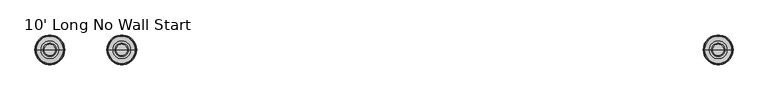
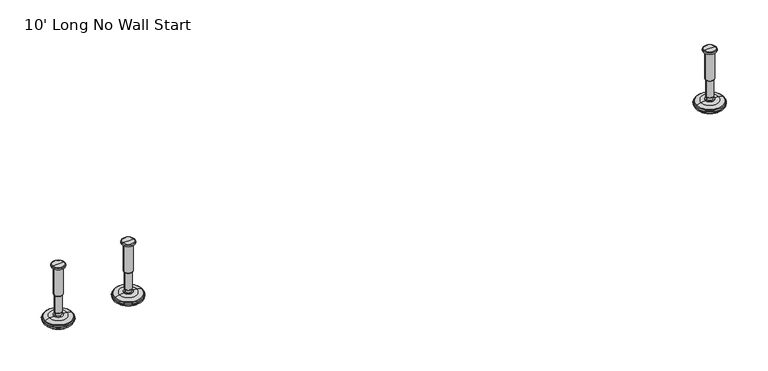
"""IFC4 building model written with IfcOpenShell, lengths in millimetres: furniture geometry, 10' Long No Wall Start."""

from ifc_helpers import new_model, si_unit, frame, origin, place, context, project, spatial, polyline, circle_curve, source, transform, mapped, element, save
from ifc_brep_helpers import plane_surface, cylinder_surface, revolved_surface, advanced_brep


def furniture_10_long_no_wall_start_91a773ea(model_context):
    return source(origin(), model_context, "Body", "AdvancedBrep", [
        advanced_brep(
        [(2038.5364323, 0.0, 101.6), (2047.5143537, 0.0, 101.6), (2029.5585109, 0.0, 101.6), (2052.6406722, 0.0, 0.0206943), (2038.5364323, 0.0, 0.0206943), (2024.4321924, 0.0, 0.0206943), (2057.518704, 0.0, 1.4194474), (2019.5541606, 0.0, 1.4194474), (2061.280619, 0.0, 4.7394056), (2015.7922456, 0.0, 4.7394056), (2062.3980686, 0.0, 7.5051905), (2014.674796, 0.0, 7.5051905), (2062.3980686, 0.0, 8.3065967), (2014.674796, 0.0, 8.3065967), (2061.5556654, 0.0, 9.8469348), (2015.5171992, 0.0, 9.8469348), (2060.4555228, 0.0, 10.8375077), (2016.6173418, 0.0, 10.8375077), (2053.1518276, 0.0, 12.7338946), (2023.921037, 0.0, 12.7338946), (2045.7336762, 0.0, 13.3828987), (2031.3391884, 0.0, 13.3828987), (2045.7336762, 0.0, 14.1772758), (2031.3391884, 0.0, 14.1772758), (2043.3368834, 0.0, 14.1772758), (2033.7359812, 0.0, 14.1772758), (2043.3368834, 0.0, 18.8098403), (2033.7359812, 0.0, 18.8098403), (2044.352736, 0.0, 19.8256929), (2032.7201286, 0.0, 19.8256929), (2044.352736, 0.0, 48.3056352), (2032.7201286, 0.0, 48.3056352), (2045.5762639, 0.0, 49.9293116), (2031.4966007, 0.0, 49.9293116), (2045.5762639, 0.0, 97.327223), (2031.4966007, 0.0, 97.327223), (2046.4573683, 0.0, 97.6479188), (2030.6154963, 0.0, 97.6479188), (2047.5063572, 0.0, 97.6479188), (2029.5665074, 0.0, 97.6479188), (2049.1713871, 0.0, 98.6092242), (2027.9014775, 0.0, 98.6092242), (2049.1713871, 0.0, 100.6043539), (2027.9014775, 0.0, 100.6043539)],
        [
            (0, 1),
            (1, 2, circle_curve(frame((2038.5364323, 0.0, 101.6), z_axis=(0.0, 0.0, 1.0), x_axis=(-1.0, 0.0, 0.0)), 8.9779214)),
            (2, 0),
            (2, 1, circle_curve(frame((2038.5364323, 0.0, 101.6), z_axis=(0.0, 0.0, 1.0), x_axis=(-1.0, 0.0, 0.0)), 8.9779214)),
            (3, 4),
            (4, 5),
            (5, 3, circle_curve(frame((2038.5364323, 0.0, 0.0206943), z_axis=(0.0, 0.0, -1.0), x_axis=(-1.0, 0.0, 0.0)), 14.1042399)),
            (3, 5, circle_curve(frame((2038.5364323, 0.0, 0.0206943), z_axis=(0.0, 0.0, -1.0), x_axis=(-1.0, 0.0, 0.0)), 14.1042399)),
            (6, 3),
            (5, 7),
            (7, 6, circle_curve(frame((2038.5364323, 0.0, 1.4194474), z_axis=(0.0, 0.0, -1.0), x_axis=(-1.0, 0.0, 0.0)), 18.9822717)),
            (6, 7, circle_curve(frame((2038.5364323, 0.0, 1.4194474), z_axis=(0.0, 0.0, -1.0), x_axis=(-1.0, 0.0, 0.0)), 18.9822717)),
            (8, 6),
            (7, 9),
            (9, 8, circle_curve(frame((2038.5364323, 0.0, 4.7394056), z_axis=(0.0, 0.0, -1.0), x_axis=(-1.0, 0.0, 0.0)), 22.7441867)),
            (8, 9, circle_curve(frame((2038.5364323, 0.0, 4.7394056), z_axis=(0.0, 0.0, -1.0), x_axis=(-1.0, 0.0, 0.0)), 22.7441867)),
            (10, 8),
            (9, 11),
            (11, 10, circle_curve(frame((2038.5364323, 0.0, 7.5051905), z_axis=(0.0, 0.0, -1.0), x_axis=(-1.0, 0.0, 0.0)), 23.8616363)),
            (10, 11, circle_curve(frame((2038.5364323, 0.0, 7.5051905), z_axis=(0.0, 0.0, -1.0), x_axis=(-1.0, 0.0, 0.0)), 23.8616363)),
            (12, 10),
            (11, 13),
            (13, 12, circle_curve(frame((2038.5364323, 0.0, 8.3065967), z_axis=(0.0, 0.0, -1.0), x_axis=(-1.0, 0.0, 0.0)), 23.8616363)),
            (12, 13, circle_curve(frame((2038.5364323, 0.0, 8.3065967), z_axis=(0.0, 0.0, -1.0), x_axis=(-1.0, 0.0, 0.0)), 23.8616363)),
            (14, 12),
            (13, 15),
            (15, 14, circle_curve(frame((2038.5364323, 0.0, 9.8469348), z_axis=(0.0, 0.0, -1.0), x_axis=(-1.0, 0.0, 0.0)), 23.0192331)),
            (14, 15, circle_curve(frame((2038.5364323, 0.0, 9.8469348), z_axis=(0.0, 0.0, -1.0), x_axis=(-1.0, 0.0, 0.0)), 23.0192331)),
            (16, 14),
            (15, 17),
            (17, 16, circle_curve(frame((2038.5364323, 0.0, 10.8375077), z_axis=(0.0, 0.0, -1.0), x_axis=(-1.0, 0.0, 0.0)), 21.9190905)),
            (16, 17, circle_curve(frame((2038.5364323, 0.0, 10.8375077), z_axis=(0.0, 0.0, -1.0), x_axis=(-1.0, 0.0, 0.0)), 21.9190905)),
            (18, 16),
            (17, 19),
            (19, 18, circle_curve(frame((2038.5364323, 0.0, 12.7338946), z_axis=(0.0, 0.0, -1.0), x_axis=(-1.0, 0.0, 0.0)), 14.6153953)),
            (18, 19, circle_curve(frame((2038.5364323, 0.0, 12.7338946), z_axis=(0.0, 0.0, -1.0), x_axis=(-1.0, 0.0, 0.0)), 14.6153953)),
            (20, 18),
            (19, 21),
            (21, 20, circle_curve(frame((2038.5364323, 0.0, 13.3828987), z_axis=(0.0, 0.0, -1.0), x_axis=(-1.0, 0.0, 0.0)), 7.1972439)),
            (20, 21, circle_curve(frame((2038.5364323, 0.0, 13.3828987), z_axis=(0.0, 0.0, -1.0), x_axis=(-1.0, 0.0, 0.0)), 7.1972439)),
            (22, 20),
            (21, 23),
            (23, 22, circle_curve(frame((2038.5364323, 0.0, 14.1772758), z_axis=(0.0, 0.0, -1.0), x_axis=(-1.0, 0.0, 0.0)), 7.1972439)),
            (22, 23, circle_curve(frame((2038.5364323, 0.0, 14.1772758), z_axis=(0.0, 0.0, -1.0), x_axis=(-1.0, 0.0, 0.0)), 7.1972439)),
            (24, 22),
            (23, 25),
            (25, 24, circle_curve(frame((2038.5364323, 0.0, 14.1772758), z_axis=(0.0, 0.0, -1.0), x_axis=(-1.0, 0.0, 0.0)), 4.8004511)),
            (24, 25, circle_curve(frame((2038.5364323, 0.0, 14.1772758), z_axis=(0.0, 0.0, -1.0), x_axis=(-1.0, 0.0, 0.0)), 4.8004511)),
            (26, 24),
            (25, 27),
            (27, 26, circle_curve(frame((2038.5364323, 0.0, 18.8098403), z_axis=(0.0, 0.0, -1.0), x_axis=(-1.0, 0.0, 0.0)), 4.8004511)),
            (26, 27, circle_curve(frame((2038.5364323, 0.0, 18.8098403), z_axis=(0.0, 0.0, -1.0), x_axis=(-1.0, 0.0, 0.0)), 4.8004511)),
            (28, 26),
            (27, 29),
            (29, 28, circle_curve(frame((2038.5364323, 0.0, 19.8256929), z_axis=(0.0, 0.0, -1.0), x_axis=(-1.0, 0.0, 0.0)), 5.8163037)),
            (28, 29, circle_curve(frame((2038.5364323, 0.0, 19.8256929), z_axis=(0.0, 0.0, -1.0), x_axis=(-1.0, 0.0, 0.0)), 5.8163037)),
            (30, 28),
            (29, 31),
            (31, 30, circle_curve(frame((2038.5364323, 0.0, 48.3056352), z_axis=(0.0, 0.0, -1.0), x_axis=(-1.0, 0.0, 0.0)), 5.8163037)),
            (30, 31, circle_curve(frame((2038.5364323, 0.0, 48.3056352), z_axis=(0.0, 0.0, -1.0), x_axis=(-1.0, 0.0, 0.0)), 5.8163037)),
            (32, 30),
            (31, 33),
            (33, 32, circle_curve(frame((2038.5364323, 0.0, 49.9293116), z_axis=(0.0, 0.0, -1.0), x_axis=(-1.0, 0.0, 0.0)), 7.0398316)),
            (32, 33, circle_curve(frame((2038.5364323, 0.0, 49.9293116), z_axis=(0.0, 0.0, -1.0), x_axis=(-1.0, 0.0, 0.0)), 7.0398316)),
            (34, 32),
            (33, 35),
            (35, 34, circle_curve(frame((2038.5364323, 0.0, 97.327223), z_axis=(0.0, 0.0, -1.0), x_axis=(-1.0, 0.0, 0.0)), 7.0398316)),
            (34, 35, circle_curve(frame((2038.5364323, 0.0, 97.327223), z_axis=(0.0, 0.0, -1.0), x_axis=(-1.0, 0.0, 0.0)), 7.0398316)),
            (36, 34),
            (35, 37),
            (37, 36, circle_curve(frame((2038.5364323, 0.0, 97.6479188), z_axis=(0.0, 0.0, -1.0), x_axis=(-1.0, 0.0, 0.0)), 7.920936)),
            (36, 37, circle_curve(frame((2038.5364323, 0.0, 97.6479188), z_axis=(0.0, 0.0, -1.0), x_axis=(-1.0, 0.0, 0.0)), 7.920936)),
            (38, 36),
            (37, 39),
            (39, 38, circle_curve(frame((2038.5364323, 0.0, 97.6479188), z_axis=(0.0, 0.0, -1.0), x_axis=(-1.0, 0.0, 0.0)), 8.9699249)),
            (38, 39, circle_curve(frame((2038.5364323, 0.0, 97.6479188), z_axis=(0.0, 0.0, -1.0), x_axis=(-1.0, 0.0, 0.0)), 8.9699249)),
            (40, 38),
            (39, 41),
            (41, 40, circle_curve(frame((2038.5364323, 0.0, 98.6092242), z_axis=(0.0, 0.0, -1.0), x_axis=(-1.0, 0.0, 0.0)), 10.6349548)),
            (40, 41, circle_curve(frame((2038.5364323, 0.0, 98.6092242), z_axis=(0.0, 0.0, -1.0), x_axis=(-1.0, 0.0, 0.0)), 10.6349548)),
            (42, 40),
            (41, 43),
            (43, 42, circle_curve(frame((2038.5364323, 0.0, 100.6043539), z_axis=(0.0, 0.0, -1.0), x_axis=(-1.0, 0.0, 0.0)), 10.6349548)),
            (42, 43, circle_curve(frame((2038.5364323, 0.0, 100.6043539), z_axis=(0.0, 0.0, -1.0), x_axis=(-1.0, 0.0, 0.0)), 10.6349548)),
            (1, 42),
            (43, 2),
        ],
        [
            plane_surface(frame((2038.5364323, 0.0, 101.6), z_axis=(0.0, 0.0, 1.0), x_axis=(-1.0, 0.0, 0.0))),
            plane_surface(frame((2038.5364323, 0.0, 0.0206943), z_axis=(0.0, 0.0, -1.0), x_axis=(-1.0, 0.0, 0.0))),
            revolved_surface(polyline([(2024.4321924, 0.0, 0.0206943), (2019.5541606, 0.0, 1.4194474)]), (2038.5364323, 0.0, 101.6), (0.0, 0.0, 1.0)),
            revolved_surface(polyline([(2019.5541606, 0.0, 1.4194474), (2015.7922456, 0.0, 4.7394056)]), (2038.5364323, 0.0, 101.6), (0.0, 0.0, 1.0)),
            revolved_surface(polyline([(2015.7922456, 0.0, 4.7394056), (2014.674796, 0.0, 7.5051905)]), (2038.5364323, 0.0, 101.6), (0.0, 0.0, 1.0)),
            cylinder_surface(frame((2038.5364323, 0.0, 101.6), z_axis=(0.0, 0.0, 1.0), x_axis=(-1.0, 0.0, 0.0)), 23.8616363),
            revolved_surface(polyline([(2014.674796, 0.0, 8.3065967), (2015.5171992, 0.0, 9.8469348)]), (2038.5364323, 0.0, 101.6), (0.0, 0.0, 1.0)),
            revolved_surface(polyline([(2015.5171992, 0.0, 9.8469348), (2016.6173418, 0.0, 10.8375077)]), (2038.5364323, 0.0, 101.6), (0.0, 0.0, 1.0)),
            revolved_surface(polyline([(2016.6173418, 0.0, 10.8375077), (2023.921037, 0.0, 12.7338946)]), (2038.5364323, 0.0, 101.6), (0.0, 0.0, 1.0)),
            revolved_surface(polyline([(2023.921037, 0.0, 12.7338946), (2031.3391884, 0.0, 13.3828987)]), (2038.5364323, 0.0, 101.6), (0.0, 0.0, 1.0)),
            cylinder_surface(frame((2038.5364323, 0.0, 101.6), z_axis=(0.0, 0.0, 1.0), x_axis=(-1.0, 0.0, 0.0)), 7.1972439),
            plane_surface(frame((2038.5364323, 0.0, 14.1772758), z_axis=(0.0, 0.0, 1.0), x_axis=(-1.0, 0.0, 0.0))),
            cylinder_surface(frame((2038.5364323, 0.0, 101.6), z_axis=(0.0, 0.0, 1.0), x_axis=(-1.0, 0.0, 0.0)), 4.8004511),
            revolved_surface(polyline([(2033.7359812, 0.0, 18.8098403), (2032.7201286, 0.0, 19.8256929)]), (2038.5364323, 0.0, 101.6), (0.0, 0.0, 1.0)),
            cylinder_surface(frame((2038.5364323, 0.0, 101.6), z_axis=(0.0, 0.0, 1.0), x_axis=(-1.0, 0.0, 0.0)), 5.8163037),
            revolved_surface(polyline([(2032.7201286, 0.0, 48.3056352), (2031.4966007, 0.0, 49.9293116)]), (2038.5364323, 0.0, 101.6), (0.0, 0.0, 1.0)),
            cylinder_surface(frame((2038.5364323, 0.0, 101.6), z_axis=(0.0, 0.0, 1.0), x_axis=(-1.0, 0.0, 0.0)), 7.0398316),
            revolved_surface(polyline([(2031.4966007, 0.0, 97.327223), (2030.6154963, 0.0, 97.6479188)]), (2038.5364323, 0.0, 101.6), (0.0, 0.0, 1.0)),
            plane_surface(frame((2038.5364323, 0.0, 97.6479188), z_axis=(0.0, 0.0, -1.0), x_axis=(-1.0, 0.0, 0.0))),
            revolved_surface(polyline([(2029.5665074, 0.0, 97.6479188), (2027.9014775, 0.0, 98.6092242)]), (2038.5364323, 0.0, 101.6), (0.0, 0.0, 1.0)),
            cylinder_surface(frame((2038.5364323, 0.0, 101.6), z_axis=(0.0, 0.0, 1.0), x_axis=(-1.0, 0.0, 0.0)), 10.6349548),
            revolved_surface(polyline([(2027.9014775, 0.0, 100.6043539), (2029.5585109, 0.0, 101.6)]), (2038.5364323, 0.0, 101.6), (0.0, 0.0, 1.0)),
        ],
        [
            (0, [[1, 2, 3]]),
            (0, [[-3, 4, -1]]),
            (1, [[5, 6, 7]]),
            (1, [[-6, -5, 8]]),
            (2, [[9, -7, 10, 11]]),
            (2, [[-10, -8, -9, 12]]),
            (3, [[13, -11, 14, 15]]),
            (3, [[-14, -12, -13, 16]]),
            (4, [[17, -15, 18, 19]]),
            (4, [[-18, -16, -17, 20]]),
            (5, [[21, -19, 22, 23]]),
            (5, [[-22, -20, -21, 24]]),
            (6, [[25, -23, 26, 27]]),
            (6, [[-26, -24, -25, 28]]),
            (7, [[29, -27, 30, 31]]),
            (7, [[-30, -28, -29, 32]]),
            (8, [[33, -31, 34, 35]]),
            (8, [[-34, -32, -33, 36]]),
            (9, [[37, -35, 38, 39]]),
            (9, [[-38, -36, -37, 40]]),
            (10, [[41, -39, 42, 43]]),
            (10, [[-42, -40, -41, 44]]),
            (11, [[45, -43, 46, 47]]),
            (11, [[-46, -44, -45, 48]]),
            (12, [[49, -47, 50, 51]]),
            (12, [[-50, -48, -49, 52]]),
            (13, [[53, -51, 54, 55]]),
            (13, [[-54, -52, -53, 56]]),
            (14, [[57, -55, 58, 59]]),
            (14, [[-58, -56, -57, 60]]),
            (15, [[61, -59, 62, 63]]),
            (15, [[-62, -60, -61, 64]]),
            (16, [[65, -63, 66, 67]]),
            (16, [[-66, -64, -65, 68]]),
            (17, [[69, -67, 70, 71]]),
            (17, [[-70, -68, -69, 72]]),
            (18, [[73, -71, 74, 75]]),
            (18, [[-74, -72, -73, 76]]),
            (19, [[77, -75, 78, 79]]),
            (19, [[-78, -76, -77, 80]]),
            (20, [[81, -79, 82, 83]]),
            (20, [[-82, -80, -81, 84]]),
            (21, [[85, -83, 86, -2]]),
            (21, [[-86, -84, -85, -4]]),
        ],
    ),
        advanced_brep(
        [(1923.8635677, 0.0, 101.6), (1932.8414891, 0.0, 101.6), (1914.8856463, 0.0, 101.6), (1909.7593278, 0.0, 0.0206943), (1937.9678076, 0.0, 0.0206943), (1923.8635677, 0.0, 0.0206943), (1904.881296, 0.0, 1.4194474), (1942.8458394, 0.0, 1.4194474), (1901.119381, 0.0, 4.7394056), (1946.6077544, 0.0, 4.7394056), (1900.0019314, 0.0, 7.5051905), (1947.725204, 0.0, 7.5051905), (1900.0019314, 0.0, 8.3065967), (1947.725204, 0.0, 8.3065967), (1900.8443346, 0.0, 9.8469348), (1946.8828008, 0.0, 9.8469348), (1901.9444772, 0.0, 10.8375077), (1945.7826582, 0.0, 10.8375077), (1909.2481724, 0.0, 12.7338946), (1938.478963, 0.0, 12.7338946), (1916.6663238, 0.0, 13.3828987), (1931.0608116, 0.0, 13.3828987), (1916.6663238, 0.0, 14.1772758), (1931.0608116, 0.0, 14.1772758), (1919.0631166, 0.0, 14.1772758), (1928.6640188, 0.0, 14.1772758), (1919.0631166, 0.0, 18.8098403), (1928.6640188, 0.0, 18.8098403), (1918.047264, 0.0, 19.8256929), (1929.6798714, 0.0, 19.8256929), (1918.047264, 0.0, 48.3056352), (1929.6798714, 0.0, 48.3056352), (1916.8237361, 0.0, 49.9293116), (1930.9033993, 0.0, 49.9293116), (1916.8237361, 0.0, 97.327223), (1930.9033993, 0.0, 97.327223), (1915.9426317, 0.0, 97.6479188), (1931.7845037, 0.0, 97.6479188), (1914.8936428, 0.0, 97.6479188), (1932.8334926, 0.0, 97.6479188), (1913.2286129, 0.0, 98.6092242), (1934.4985225, 0.0, 98.6092242), (1913.2286129, 0.0, 100.6043539), (1934.4985225, 0.0, 100.6043539)],
        [
            (0, 1),
            (1, 2, circle_curve(frame((1923.8635677, 0.0, 101.6), z_axis=(0.0, 0.0, 1.0), x_axis=(1.0, 0.0, 0.0)), 8.9779214)),
            (2, 0),
            (2, 1, circle_curve(frame((1923.8635677, 0.0, 101.6), z_axis=(0.0, 0.0, 1.0), x_axis=(1.0, 0.0, 0.0)), 8.9779214)),
            (3, 4, circle_curve(frame((1923.8635677, 0.0, 0.0206943), z_axis=(0.0, 0.0, -1.0), x_axis=(1.0, 0.0, 0.0)), 14.1042399)),
            (4, 5),
            (5, 3),
            (4, 3, circle_curve(frame((1923.8635677, 0.0, 0.0206943), z_axis=(0.0, 0.0, -1.0), x_axis=(1.0, 0.0, 0.0)), 14.1042399)),
            (6, 7, circle_curve(frame((1923.8635677, 0.0, 1.4194474), z_axis=(0.0, 0.0, -1.0), x_axis=(1.0, 0.0, 0.0)), 18.9822717)),
            (7, 4),
            (3, 6),
            (7, 6, circle_curve(frame((1923.8635677, 0.0, 1.4194474), z_axis=(0.0, 0.0, -1.0), x_axis=(1.0, 0.0, 0.0)), 18.9822717)),
            (8, 9, circle_curve(frame((1923.8635677, 0.0, 4.7394056), z_axis=(0.0, 0.0, -1.0), x_axis=(1.0, 0.0, 0.0)), 22.7441867)),
            (9, 7),
            (6, 8),
            (9, 8, circle_curve(frame((1923.8635677, 0.0, 4.7394056), z_axis=(0.0, 0.0, -1.0), x_axis=(1.0, 0.0, 0.0)), 22.7441867)),
            (10, 11, circle_curve(frame((1923.8635677, 0.0, 7.5051905), z_axis=(0.0, 0.0, -1.0), x_axis=(1.0, 0.0, 0.0)), 23.8616363)),
            (11, 9),
            (8, 10),
            (11, 10, circle_curve(frame((1923.8635677, 0.0, 7.5051905), z_axis=(0.0, 0.0, -1.0), x_axis=(1.0, 0.0, 0.0)), 23.8616363)),
            (12, 13, circle_curve(frame((1923.8635677, 0.0, 8.3065967), z_axis=(0.0, 0.0, -1.0), x_axis=(1.0, 0.0, 0.0)), 23.8616363)),
            (13, 11),
            (10, 12),
            (13, 12, circle_curve(frame((1923.8635677, 0.0, 8.3065967), z_axis=(0.0, 0.0, -1.0), x_axis=(1.0, 0.0, 0.0)), 23.8616363)),
            (14, 15, circle_curve(frame((1923.8635677, 0.0, 9.8469348), z_axis=(0.0, 0.0, -1.0), x_axis=(1.0, 0.0, 0.0)), 23.0192331)),
            (15, 13),
            (12, 14),
            (15, 14, circle_curve(frame((1923.8635677, 0.0, 9.8469348), z_axis=(0.0, 0.0, -1.0), x_axis=(1.0, 0.0, 0.0)), 23.0192331)),
            (16, 17, circle_curve(frame((1923.8635677, 0.0, 10.8375077), z_axis=(0.0, 0.0, -1.0), x_axis=(1.0, 0.0, 0.0)), 21.9190905)),
            (17, 15),
            (14, 16),
            (17, 16, circle_curve(frame((1923.8635677, 0.0, 10.8375077), z_axis=(0.0, 0.0, -1.0), x_axis=(1.0, 0.0, 0.0)), 21.9190905)),
            (18, 19, circle_curve(frame((1923.8635677, 0.0, 12.7338946), z_axis=(0.0, 0.0, -1.0), x_axis=(1.0, 0.0, 0.0)), 14.6153953)),
            (19, 17),
            (16, 18),
            (19, 18, circle_curve(frame((1923.8635677, 0.0, 12.7338946), z_axis=(0.0, 0.0, -1.0), x_axis=(1.0, 0.0, 0.0)), 14.6153953)),
            (20, 21, circle_curve(frame((1923.8635677, 0.0, 13.3828987), z_axis=(0.0, 0.0, -1.0), x_axis=(1.0, 0.0, 0.0)), 7.1972439)),
            (21, 19),
            (18, 20),
            (21, 20, circle_curve(frame((1923.8635677, 0.0, 13.3828987), z_axis=(0.0, 0.0, -1.0), x_axis=(1.0, 0.0, 0.0)), 7.1972439)),
            (22, 23, circle_curve(frame((1923.8635677, 0.0, 14.1772758), z_axis=(0.0, 0.0, -1.0), x_axis=(1.0, 0.0, 0.0)), 7.1972439)),
            (23, 21),
            (20, 22),
            (23, 22, circle_curve(frame((1923.8635677, 0.0, 14.1772758), z_axis=(0.0, 0.0, -1.0), x_axis=(1.0, 0.0, 0.0)), 7.1972439)),
            (24, 25, circle_curve(frame((1923.8635677, 0.0, 14.1772758), z_axis=(0.0, 0.0, -1.0), x_axis=(1.0, 0.0, 0.0)), 4.8004511)),
            (25, 23),
            (22, 24),
            (25, 24, circle_curve(frame((1923.8635677, 0.0, 14.1772758), z_axis=(0.0, 0.0, -1.0), x_axis=(1.0, 0.0, 0.0)), 4.8004511)),
            (26, 27, circle_curve(frame((1923.8635677, 0.0, 18.8098403), z_axis=(0.0, 0.0, -1.0), x_axis=(1.0, 0.0, 0.0)), 4.8004511)),
            (27, 25),
            (24, 26),
            (27, 26, circle_curve(frame((1923.8635677, 0.0, 18.8098403), z_axis=(0.0, 0.0, -1.0), x_axis=(1.0, 0.0, 0.0)), 4.8004511)),
            (28, 29, circle_curve(frame((1923.8635677, 0.0, 19.8256929), z_axis=(0.0, 0.0, -1.0), x_axis=(1.0, 0.0, 0.0)), 5.8163037)),
            (29, 27),
            (26, 28),
            (29, 28, circle_curve(frame((1923.8635677, 0.0, 19.8256929), z_axis=(0.0, 0.0, -1.0), x_axis=(1.0, 0.0, 0.0)), 5.8163037)),
            (30, 31, circle_curve(frame((1923.8635677, 0.0, 48.3056352), z_axis=(0.0, 0.0, -1.0), x_axis=(1.0, 0.0, 0.0)), 5.8163037)),
            (31, 29),
            (28, 30),
            (31, 30, circle_curve(frame((1923.8635677, 0.0, 48.3056352), z_axis=(0.0, 0.0, -1.0), x_axis=(1.0, 0.0, 0.0)), 5.8163037)),
            (32, 33, circle_curve(frame((1923.8635677, 0.0, 49.9293116), z_axis=(0.0, 0.0, -1.0), x_axis=(1.0, 0.0, 0.0)), 7.0398316)),
            (33, 31),
            (30, 32),
            (33, 32, circle_curve(frame((1923.8635677, 0.0, 49.9293116), z_axis=(0.0, 0.0, -1.0), x_axis=(1.0, 0.0, 0.0)), 7.0398316)),
            (34, 35, circle_curve(frame((1923.8635677, 0.0, 97.327223), z_axis=(0.0, 0.0, -1.0), x_axis=(1.0, 0.0, 0.0)), 7.0398316)),
            (35, 33),
            (32, 34),
            (35, 34, circle_curve(frame((1923.8635677, 0.0, 97.327223), z_axis=(0.0, 0.0, -1.0), x_axis=(1.0, 0.0, 0.0)), 7.0398316)),
            (36, 37, circle_curve(frame((1923.8635677, 0.0, 97.6479188), z_axis=(0.0, 0.0, -1.0), x_axis=(1.0, 0.0, 0.0)), 7.920936)),
            (37, 35),
            (34, 36),
            (37, 36, circle_curve(frame((1923.8635677, 0.0, 97.6479188), z_axis=(0.0, 0.0, -1.0), x_axis=(1.0, 0.0, 0.0)), 7.920936)),
            (38, 39, circle_curve(frame((1923.8635677, 0.0, 97.6479188), z_axis=(0.0, 0.0, -1.0), x_axis=(1.0, 0.0, 0.0)), 8.9699249)),
            (39, 37),
            (36, 38),
            (39, 38, circle_curve(frame((1923.8635677, 0.0, 97.6479188), z_axis=(0.0, 0.0, -1.0), x_axis=(1.0, 0.0, 0.0)), 8.9699249)),
            (40, 41, circle_curve(frame((1923.8635677, 0.0, 98.6092242), z_axis=(0.0, 0.0, -1.0), x_axis=(1.0, 0.0, 0.0)), 10.6349548)),
            (41, 39),
            (38, 40),
            (41, 40, circle_curve(frame((1923.8635677, 0.0, 98.6092242), z_axis=(0.0, 0.0, -1.0), x_axis=(1.0, 0.0, 0.0)), 10.6349548)),
            (42, 43, circle_curve(frame((1923.8635677, 0.0, 100.6043539), z_axis=(0.0, 0.0, -1.0), x_axis=(1.0, 0.0, 0.0)), 10.6349548)),
            (43, 41),
            (40, 42),
            (43, 42, circle_curve(frame((1923.8635677, 0.0, 100.6043539), z_axis=(0.0, 0.0, -1.0), x_axis=(1.0, 0.0, 0.0)), 10.6349548)),
            (1, 43),
            (42, 2),
        ],
        [
            plane_surface(frame((1923.8635677, 0.0, 101.6), z_axis=(0.0, 0.0, 1.0), x_axis=(1.0, 0.0, 0.0))),
            plane_surface(frame((1923.8635677, 0.0, 0.0206943), z_axis=(0.0, 0.0, -1.0), x_axis=(1.0, 0.0, 0.0))),
            revolved_surface(polyline([(1937.9678076, 0.0, 0.0206943), (1942.8458394, 0.0, 1.4194474)]), (1923.8635677, 0.0, 101.6), (0.0, 0.0, 1.0)),
            revolved_surface(polyline([(1942.8458394, 0.0, 1.4194474), (1946.6077544, 0.0, 4.7394056)]), (1923.8635677, 0.0, 101.6), (0.0, 0.0, 1.0)),
            revolved_surface(polyline([(1946.6077544, 0.0, 4.7394056), (1947.725204, 0.0, 7.5051905)]), (1923.8635677, 0.0, 101.6), (0.0, 0.0, 1.0)),
            cylinder_surface(frame((1923.8635677, 0.0, 101.6), z_axis=(0.0, 0.0, 1.0), x_axis=(1.0, 0.0, 0.0)), 23.8616363),
            revolved_surface(polyline([(1947.725204, 0.0, 8.3065967), (1946.8828008, 0.0, 9.8469348)]), (1923.8635677, 0.0, 101.6), (0.0, 0.0, 1.0)),
            revolved_surface(polyline([(1946.8828008, 0.0, 9.8469348), (1945.7826582, 0.0, 10.8375077)]), (1923.8635677, 0.0, 101.6), (0.0, 0.0, 1.0)),
            revolved_surface(polyline([(1945.7826582, 0.0, 10.8375077), (1938.478963, 0.0, 12.7338946)]), (1923.8635677, 0.0, 101.6), (0.0, 0.0, 1.0)),
            revolved_surface(polyline([(1938.478963, 0.0, 12.7338946), (1931.0608116, 0.0, 13.3828987)]), (1923.8635677, 0.0, 101.6), (0.0, 0.0, 1.0)),
            cylinder_surface(frame((1923.8635677, 0.0, 101.6), z_axis=(0.0, 0.0, 1.0), x_axis=(1.0, 0.0, 0.0)), 7.1972439),
            plane_surface(frame((1923.8635677, 0.0, 14.1772758), z_axis=(0.0, 0.0, 1.0), x_axis=(1.0, 0.0, 0.0))),
            cylinder_surface(frame((1923.8635677, 0.0, 101.6), z_axis=(0.0, 0.0, 1.0), x_axis=(1.0, 0.0, 0.0)), 4.8004511),
            revolved_surface(polyline([(1928.6640188, 0.0, 18.8098403), (1929.6798714, 0.0, 19.8256929)]), (1923.8635677, 0.0, 101.6), (0.0, 0.0, 1.0)),
            cylinder_surface(frame((1923.8635677, 0.0, 101.6), z_axis=(0.0, 0.0, 1.0), x_axis=(1.0, 0.0, 0.0)), 5.8163037),
            revolved_surface(polyline([(1929.6798714, 0.0, 48.3056352), (1930.9033993, 0.0, 49.9293116)]), (1923.8635677, 0.0, 101.6), (0.0, 0.0, 1.0)),
            cylinder_surface(frame((1923.8635677, 0.0, 101.6), z_axis=(0.0, 0.0, 1.0), x_axis=(1.0, 0.0, 0.0)), 7.0398316),
            revolved_surface(polyline([(1930.9033993, 0.0, 97.327223), (1931.7845037, 0.0, 97.6479188)]), (1923.8635677, 0.0, 101.6), (0.0, 0.0, 1.0)),
            plane_surface(frame((1923.8635677, 0.0, 97.6479188), z_axis=(0.0, 0.0, -1.0), x_axis=(1.0, 0.0, 0.0))),
            revolved_surface(polyline([(1932.8334926, 0.0, 97.6479188), (1934.4985225, 0.0, 98.6092242)]), (1923.8635677, 0.0, 101.6), (0.0, 0.0, 1.0)),
            cylinder_surface(frame((1923.8635677, 0.0, 101.6), z_axis=(0.0, 0.0, 1.0), x_axis=(1.0, 0.0, 0.0)), 10.6349548),
            revolved_surface(polyline([(1934.4985225, 0.0, 100.6043539), (1932.8414891, 0.0, 101.6)]), (1923.8635677, 0.0, 101.6), (0.0, 0.0, 1.0)),
        ],
        [
            (0, [[1, 2, 3]]),
            (0, [[-3, 4, -1]]),
            (1, [[5, 6, 7]]),
            (1, [[8, -7, -6]]),
            (2, [[9, 10, -5, 11]]),
            (2, [[12, -11, -8, -10]]),
            (3, [[13, 14, -9, 15]]),
            (3, [[16, -15, -12, -14]]),
            (4, [[17, 18, -13, 19]]),
            (4, [[20, -19, -16, -18]]),
            (5, [[21, 22, -17, 23]]),
            (5, [[24, -23, -20, -22]]),
            (6, [[25, 26, -21, 27]]),
            (6, [[28, -27, -24, -26]]),
            (7, [[29, 30, -25, 31]]),
            (7, [[32, -31, -28, -30]]),
            (8, [[33, 34, -29, 35]]),
            (8, [[36, -35, -32, -34]]),
            (9, [[37, 38, -33, 39]]),
            (9, [[40, -39, -36, -38]]),
            (10, [[41, 42, -37, 43]]),
            (10, [[44, -43, -40, -42]]),
            (11, [[45, 46, -41, 47]]),
            (11, [[48, -47, -44, -46]]),
            (12, [[49, 50, -45, 51]]),
            (12, [[52, -51, -48, -50]]),
            (13, [[53, 54, -49, 55]]),
            (13, [[56, -55, -52, -54]]),
            (14, [[57, 58, -53, 59]]),
            (14, [[60, -59, -56, -58]]),
            (15, [[61, 62, -57, 63]]),
            (15, [[64, -63, -60, -62]]),
            (16, [[65, 66, -61, 67]]),
            (16, [[68, -67, -64, -66]]),
            (17, [[69, 70, -65, 71]]),
            (17, [[72, -71, -68, -70]]),
            (18, [[73, 74, -69, 75]]),
            (18, [[76, -75, -72, -74]]),
            (19, [[77, 78, -73, 79]]),
            (19, [[80, -79, -76, -78]]),
            (20, [[81, 82, -77, 83]]),
            (20, [[84, -83, -80, -82]]),
            (21, [[-2, 85, -81, 86]]),
            (21, [[-4, -86, -84, -85]]),
        ],
    ),
        advanced_brep(
        [(2990.9372135, 0.0, 101.6), (2999.915135, 0.0, 101.6), (2981.9592921, 0.0, 101.6), (3005.0414535, 0.0, 0.0206943), (2990.9372135, 0.0, 0.0206943), (2976.8329736, 0.0, 0.0206943), (3009.9194852, 0.0, 1.4194474), (2971.9549419, 0.0, 1.4194474), (3013.6814003, 0.0, 4.7394056), (2968.1930268, 0.0, 4.7394056), (3014.7988499, 0.0, 7.5051905), (2967.0755772, 0.0, 7.5051905), (3014.7988499, 0.0, 8.3065967), (2967.0755772, 0.0, 8.3065967), (3013.9564467, 0.0, 9.8469348), (2967.9179804, 0.0, 9.8469348), (3012.856304, 0.0, 10.8375077), (2969.0181231, 0.0, 10.8375077), (3005.5526088, 0.0, 12.7338946), (2976.3218183, 0.0, 12.7338946), (2998.1344574, 0.0, 13.3828987), (2983.7399696, 0.0, 13.3828987), (2998.1344574, 0.0, 14.1772758), (2983.7399696, 0.0, 14.1772758), (2995.7376646, 0.0, 14.1772758), (2986.1367625, 0.0, 14.1772758), (2995.7376646, 0.0, 18.8098403), (2986.1367625, 0.0, 18.8098403), (2996.7535173, 0.0, 19.8256929), (2985.1209098, 0.0, 19.8256929), (2996.7535173, 0.0, 48.3056352), (2985.1209098, 0.0, 48.3056352), (2997.9770452, 0.0, 49.9293116), (2983.8973819, 0.0, 49.9293116), (2997.9770452, 0.0, 97.327223), (2983.8973819, 0.0, 97.327223), (2998.8581495, 0.0, 97.6479188), (2983.0162776, 0.0, 97.6479188), (2999.9071385, 0.0, 97.6479188), (2981.9672886, 0.0, 97.6479188), (3001.5721684, 0.0, 98.6092242), (2980.3022587, 0.0, 98.6092242), (3001.5721684, 0.0, 100.6043539), (2980.3022587, 0.0, 100.6043539)],
        [
            (0, 1),
            (1, 2, circle_curve(frame((2990.9372135, 0.0, 101.6), z_axis=(0.0, 0.0, 1.0), x_axis=(-1.0, 0.0, 0.0)), 8.9779214)),
            (2, 0),
            (2, 1, circle_curve(frame((2990.9372135, 0.0, 101.6), z_axis=(0.0, 0.0, 1.0), x_axis=(-1.0, 0.0, 0.0)), 8.9779214)),
            (3, 4),
            (4, 5),
            (5, 3, circle_curve(frame((2990.9372135, 0.0, 0.0206943), z_axis=(0.0, 0.0, -1.0), x_axis=(-1.0, 0.0, 0.0)), 14.1042399)),
            (3, 5, circle_curve(frame((2990.9372135, 0.0, 0.0206943), z_axis=(0.0, 0.0, -1.0), x_axis=(-1.0, 0.0, 0.0)), 14.1042399)),
            (6, 3),
            (5, 7),
            (7, 6, circle_curve(frame((2990.9372135, 0.0, 1.4194474), z_axis=(0.0, 0.0, -1.0), x_axis=(-1.0, 0.0, 0.0)), 18.9822717)),
            (6, 7, circle_curve(frame((2990.9372135, 0.0, 1.4194474), z_axis=(0.0, 0.0, -1.0), x_axis=(-1.0, 0.0, 0.0)), 18.9822717)),
            (8, 6),
            (7, 9),
            (9, 8, circle_curve(frame((2990.9372135, 0.0, 4.7394056), z_axis=(0.0, 0.0, -1.0), x_axis=(-1.0, 0.0, 0.0)), 22.7441867)),
            (8, 9, circle_curve(frame((2990.9372135, 0.0, 4.7394056), z_axis=(0.0, 0.0, -1.0), x_axis=(-1.0, 0.0, 0.0)), 22.7441867)),
            (10, 8),
            (9, 11),
            (11, 10, circle_curve(frame((2990.9372135, 0.0, 7.5051905), z_axis=(0.0, 0.0, -1.0), x_axis=(-1.0, 0.0, 0.0)), 23.8616363)),
            (10, 11, circle_curve(frame((2990.9372135, 0.0, 7.5051905), z_axis=(0.0, 0.0, -1.0), x_axis=(-1.0, 0.0, 0.0)), 23.8616363)),
            (12, 10),
            (11, 13),
            (13, 12, circle_curve(frame((2990.9372135, 0.0, 8.3065967), z_axis=(0.0, 0.0, -1.0), x_axis=(-1.0, 0.0, 0.0)), 23.8616363)),
            (12, 13, circle_curve(frame((2990.9372135, 0.0, 8.3065967), z_axis=(0.0, 0.0, -1.0), x_axis=(-1.0, 0.0, 0.0)), 23.8616363)),
            (14, 12),
            (13, 15),
            (15, 14, circle_curve(frame((2990.9372135, 0.0, 9.8469348), z_axis=(0.0, 0.0, -1.0), x_axis=(-1.0, 0.0, 0.0)), 23.0192331)),
            (14, 15, circle_curve(frame((2990.9372135, 0.0, 9.8469348), z_axis=(0.0, 0.0, -1.0), x_axis=(-1.0, 0.0, 0.0)), 23.0192331)),
            (16, 14),
            (15, 17),
            (17, 16, circle_curve(frame((2990.9372135, 0.0, 10.8375077), z_axis=(0.0, 0.0, -1.0), x_axis=(-1.0, 0.0, 0.0)), 21.9190905)),
            (16, 17, circle_curve(frame((2990.9372135, 0.0, 10.8375077), z_axis=(0.0, 0.0, -1.0), x_axis=(-1.0, 0.0, 0.0)), 21.9190905)),
            (18, 16),
            (17, 19),
            (19, 18, circle_curve(frame((2990.9372135, 0.0, 12.7338946), z_axis=(0.0, 0.0, -1.0), x_axis=(-1.0, 0.0, 0.0)), 14.6153953)),
            (18, 19, circle_curve(frame((2990.9372135, 0.0, 12.7338946), z_axis=(0.0, 0.0, -1.0), x_axis=(-1.0, 0.0, 0.0)), 14.6153953)),
            (20, 18),
            (19, 21),
            (21, 20, circle_curve(frame((2990.9372135, 0.0, 13.3828987), z_axis=(0.0, 0.0, -1.0), x_axis=(-1.0, 0.0, 0.0)), 7.1972439)),
            (20, 21, circle_curve(frame((2990.9372135, 0.0, 13.3828987), z_axis=(0.0, 0.0, -1.0), x_axis=(-1.0, 0.0, 0.0)), 7.1972439)),
            (22, 20),
            (21, 23),
            (23, 22, circle_curve(frame((2990.9372135, 0.0, 14.1772758), z_axis=(0.0, 0.0, -1.0), x_axis=(-1.0, 0.0, 0.0)), 7.1972439)),
            (22, 23, circle_curve(frame((2990.9372135, 0.0, 14.1772758), z_axis=(0.0, 0.0, -1.0), x_axis=(-1.0, 0.0, 0.0)), 7.1972439)),
            (24, 22),
            (23, 25),
            (25, 24, circle_curve(frame((2990.9372135, 0.0, 14.1772758), z_axis=(0.0, 0.0, -1.0), x_axis=(-1.0, 0.0, 0.0)), 4.8004511)),
            (24, 25, circle_curve(frame((2990.9372135, 0.0, 14.1772758), z_axis=(0.0, 0.0, -1.0), x_axis=(-1.0, 0.0, 0.0)), 4.8004511)),
            (26, 24),
            (25, 27),
            (27, 26, circle_curve(frame((2990.9372135, 0.0, 18.8098403), z_axis=(0.0, 0.0, -1.0), x_axis=(-1.0, 0.0, 0.0)), 4.8004511)),
            (26, 27, circle_curve(frame((2990.9372135, 0.0, 18.8098403), z_axis=(0.0, 0.0, -1.0), x_axis=(-1.0, 0.0, 0.0)), 4.8004511)),
            (28, 26),
            (27, 29),
            (29, 28, circle_curve(frame((2990.9372135, 0.0, 19.8256929), z_axis=(0.0, 0.0, -1.0), x_axis=(-1.0, 0.0, 0.0)), 5.8163037)),
            (28, 29, circle_curve(frame((2990.9372135, 0.0, 19.8256929), z_axis=(0.0, 0.0, -1.0), x_axis=(-1.0, 0.0, 0.0)), 5.8163037)),
            (30, 28),
            (29, 31),
            (31, 30, circle_curve(frame((2990.9372135, 0.0, 48.3056352), z_axis=(0.0, 0.0, -1.0), x_axis=(-1.0, 0.0, 0.0)), 5.8163037)),
            (30, 31, circle_curve(frame((2990.9372135, 0.0, 48.3056352), z_axis=(0.0, 0.0, -1.0), x_axis=(-1.0, 0.0, 0.0)), 5.8163037)),
            (32, 30),
            (31, 33),
            (33, 32, circle_curve(frame((2990.9372135, 0.0, 49.9293116), z_axis=(0.0, 0.0, -1.0), x_axis=(-1.0, 0.0, 0.0)), 7.0398316)),
            (32, 33, circle_curve(frame((2990.9372135, 0.0, 49.9293116), z_axis=(0.0, 0.0, -1.0), x_axis=(-1.0, 0.0, 0.0)), 7.0398316)),
            (34, 32),
            (33, 35),
            (35, 34, circle_curve(frame((2990.9372135, 0.0, 97.327223), z_axis=(0.0, 0.0, -1.0), x_axis=(-1.0, 0.0, 0.0)), 7.0398316)),
            (34, 35, circle_curve(frame((2990.9372135, 0.0, 97.327223), z_axis=(0.0, 0.0, -1.0), x_axis=(-1.0, 0.0, 0.0)), 7.0398316)),
            (36, 34),
            (35, 37),
            (37, 36, circle_curve(frame((2990.9372135, 0.0, 97.6479188), z_axis=(0.0, 0.0, -1.0), x_axis=(-1.0, 0.0, 0.0)), 7.920936)),
            (36, 37, circle_curve(frame((2990.9372135, 0.0, 97.6479188), z_axis=(0.0, 0.0, -1.0), x_axis=(-1.0, 0.0, 0.0)), 7.920936)),
            (38, 36),
            (37, 39),
            (39, 38, circle_curve(frame((2990.9372135, 0.0, 97.6479188), z_axis=(0.0, 0.0, -1.0), x_axis=(-1.0, 0.0, 0.0)), 8.9699249)),
            (38, 39, circle_curve(frame((2990.9372135, 0.0, 97.6479188), z_axis=(0.0, 0.0, -1.0), x_axis=(-1.0, 0.0, 0.0)), 8.9699249)),
            (40, 38),
            (39, 41),
            (41, 40, circle_curve(frame((2990.9372135, 0.0, 98.6092242), z_axis=(0.0, 0.0, -1.0), x_axis=(-1.0, 0.0, 0.0)), 10.6349548)),
            (40, 41, circle_curve(frame((2990.9372135, 0.0, 98.6092242), z_axis=(0.0, 0.0, -1.0), x_axis=(-1.0, 0.0, 0.0)), 10.6349548)),
            (42, 40),
            (41, 43),
            (43, 42, circle_curve(frame((2990.9372135, 0.0, 100.6043539), z_axis=(0.0, 0.0, -1.0), x_axis=(-1.0, 0.0, 0.0)), 10.6349548)),
            (42, 43, circle_curve(frame((2990.9372135, 0.0, 100.6043539), z_axis=(0.0, 0.0, -1.0), x_axis=(-1.0, 0.0, 0.0)), 10.6349548)),
            (1, 42),
            (43, 2),
        ],
        [
            plane_surface(frame((2990.9372135, 0.0, 101.6), z_axis=(0.0, 0.0, 1.0), x_axis=(-1.0, 0.0, 0.0))),
            plane_surface(frame((2990.9372135, 0.0, 0.0206943), z_axis=(0.0, 0.0, -1.0), x_axis=(-1.0, 0.0, 0.0))),
            revolved_surface(polyline([(2976.8329736, 0.0, 0.0206943), (2971.9549419, 0.0, 1.4194474)]), (2990.9372135, 0.0, 101.6), (0.0, 0.0, 1.0)),
            revolved_surface(polyline([(2971.9549419, 0.0, 1.4194474), (2968.1930268, 0.0, 4.7394056)]), (2990.9372135, 0.0, 101.6), (0.0, 0.0, 1.0)),
            revolved_surface(polyline([(2968.1930268, 0.0, 4.7394056), (2967.0755772, 0.0, 7.5051905)]), (2990.9372135, 0.0, 101.6), (0.0, 0.0, 1.0)),
            cylinder_surface(frame((2990.9372135, 0.0, 101.6), z_axis=(0.0, 0.0, 1.0), x_axis=(-1.0, 0.0, 0.0)), 23.8616363),
            revolved_surface(polyline([(2967.0755772, 0.0, 8.3065967), (2967.9179804, 0.0, 9.8469348)]), (2990.9372135, 0.0, 101.6), (0.0, 0.0, 1.0)),
            revolved_surface(polyline([(2967.9179804, 0.0, 9.8469348), (2969.0181231, 0.0, 10.8375077)]), (2990.9372135, 0.0, 101.6), (0.0, 0.0, 1.0)),
            revolved_surface(polyline([(2969.0181231, 0.0, 10.8375077), (2976.3218183, 0.0, 12.7338946)]), (2990.9372135, 0.0, 101.6), (0.0, 0.0, 1.0)),
            revolved_surface(polyline([(2976.3218183, 0.0, 12.7338946), (2983.7399696, 0.0, 13.3828987)]), (2990.9372135, 0.0, 101.6), (0.0, 0.0, 1.0)),
            cylinder_surface(frame((2990.9372135, 0.0, 101.6), z_axis=(0.0, 0.0, 1.0), x_axis=(-1.0, 0.0, 0.0)), 7.1972439),
            plane_surface(frame((2990.9372135, 0.0, 14.1772758), z_axis=(0.0, 0.0, 1.0), x_axis=(-1.0, 0.0, 0.0))),
            cylinder_surface(frame((2990.9372135, 0.0, 101.6), z_axis=(0.0, 0.0, 1.0), x_axis=(-1.0, 0.0, 0.0)), 4.8004511),
            revolved_surface(polyline([(2986.1367625, 0.0, 18.8098403), (2985.1209098, 0.0, 19.8256929)]), (2990.9372135, 0.0, 101.6), (0.0, 0.0, 1.0)),
            cylinder_surface(frame((2990.9372135, 0.0, 101.6), z_axis=(0.0, 0.0, 1.0), x_axis=(-1.0, 0.0, 0.0)), 5.8163037),
            revolved_surface(polyline([(2985.1209098, 0.0, 48.3056352), (2983.8973819, 0.0, 49.9293116)]), (2990.9372135, 0.0, 101.6), (0.0, 0.0, 1.0)),
            cylinder_surface(frame((2990.9372135, 0.0, 101.6), z_axis=(0.0, 0.0, 1.0), x_axis=(-1.0, 0.0, 0.0)), 7.0398316),
            revolved_surface(polyline([(2983.8973819, 0.0, 97.327223), (2983.0162776, 0.0, 97.6479188)]), (2990.9372135, 0.0, 101.6), (0.0, 0.0, 1.0)),
            plane_surface(frame((2990.9372135, 0.0, 97.6479188), z_axis=(0.0, 0.0, -1.0), x_axis=(-1.0, 0.0, 0.0))),
            revolved_surface(polyline([(2981.9672886, 0.0, 97.6479188), (2980.3022587, 0.0, 98.6092242)]), (2990.9372135, 0.0, 101.6), (0.0, 0.0, 1.0)),
            cylinder_surface(frame((2990.9372135, 0.0, 101.6), z_axis=(0.0, 0.0, 1.0), x_axis=(-1.0, 0.0, 0.0)), 10.6349548),
            revolved_surface(polyline([(2980.3022587, 0.0, 100.6043539), (2981.9592921, 0.0, 101.6)]), (2990.9372135, 0.0, 101.6), (0.0, 0.0, 1.0)),
        ],
        [
            (0, [[1, 2, 3]]),
            (0, [[-3, 4, -1]]),
            (1, [[5, 6, 7]]),
            (1, [[-6, -5, 8]]),
            (2, [[9, -7, 10, 11]]),
            (2, [[-10, -8, -9, 12]]),
            (3, [[13, -11, 14, 15]]),
            (3, [[-14, -12, -13, 16]]),
            (4, [[17, -15, 18, 19]]),
            (4, [[-18, -16, -17, 20]]),
            (5, [[21, -19, 22, 23]]),
            (5, [[-22, -20, -21, 24]]),
            (6, [[25, -23, 26, 27]]),
            (6, [[-26, -24, -25, 28]]),
            (7, [[29, -27, 30, 31]]),
            (7, [[-30, -28, -29, 32]]),
            (8, [[33, -31, 34, 35]]),
            (8, [[-34, -32, -33, 36]]),
            (9, [[37, -35, 38, 39]]),
            (9, [[-38, -36, -37, 40]]),
            (10, [[41, -39, 42, 43]]),
            (10, [[-42, -40, -41, 44]]),
            (11, [[45, -43, 46, 47]]),
            (11, [[-46, -44, -45, 48]]),
            (12, [[49, -47, 50, 51]]),
            (12, [[-50, -48, -49, 52]]),
            (13, [[53, -51, 54, 55]]),
            (13, [[-54, -52, -53, 56]]),
            (14, [[57, -55, 58, 59]]),
            (14, [[-58, -56, -57, 60]]),
            (15, [[61, -59, 62, 63]]),
            (15, [[-62, -60, -61, 64]]),
            (16, [[65, -63, 66, 67]]),
            (16, [[-66, -64, -65, 68]]),
            (17, [[69, -67, 70, 71]]),
            (17, [[-70, -68, -69, 72]]),
            (18, [[73, -71, 74, 75]]),
            (18, [[-74, -72, -73, 76]]),
            (19, [[77, -75, 78, 79]]),
            (19, [[-78, -76, -77, 80]]),
            (20, [[81, -79, 82, 83]]),
            (20, [[-82, -80, -81, 84]]),
            (21, [[85, -83, 86, -2]]),
            (21, [[-86, -84, -85, -4]]),
        ],
    ),
    ])


if __name__ == "__main__":
    model = new_model("IFC4")
    model_context = context("Model", 3, world=origin())
    ifc_project = project(units=[si_unit("LENGTHUNIT", "METRE", prefix="MILLI")], contexts=[model_context])
    site = spatial("IfcSite", under=ifc_project)
    building = spatial("IfcBuilding", under=site)
    placement = place(None, origin())
    furniture_10_long_no_wall_start_shape = furniture_10_long_no_wall_start_91a773ea(model_context)
    element("IfcFurniture", 1, ObjectType="10' Long No Wall Start", at=placement, inside=building, context=model_context, shape_type="MappedRepresentation", body=[
        mapped(furniture_10_long_no_wall_start_shape, transform((0.0, 0.0, 0.0), x_axis=(1.0, 0.0, 0.0), y_axis=(0.0, 1.0, 0.0), z_axis=(0.0, 0.0, 1.0))),
    ])
    save(model, "model.ifc")
